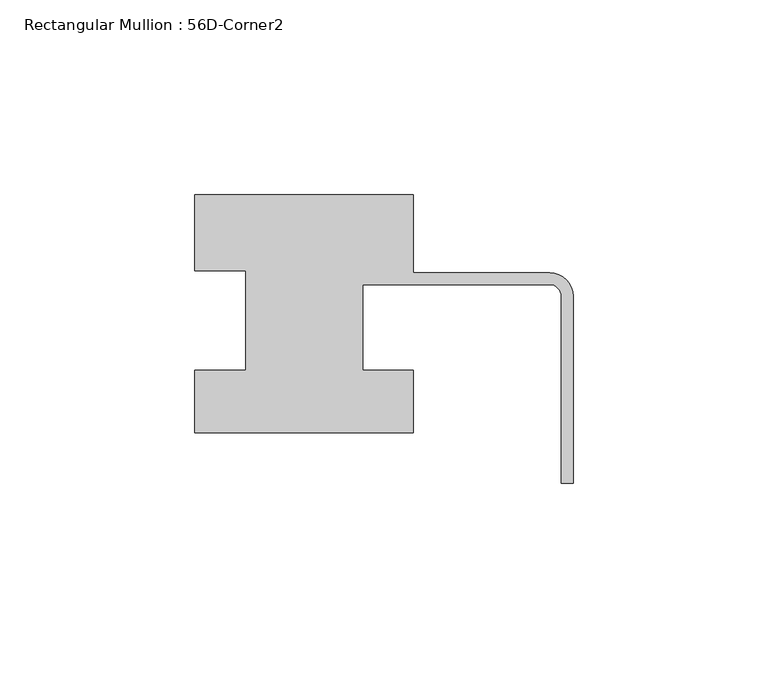
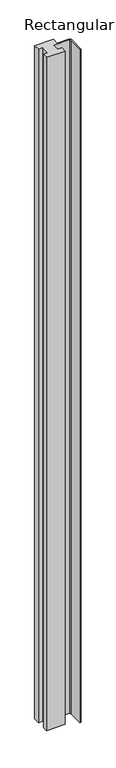
"""IFC4 building model written with IfcOpenShell, lengths in millimetres: member geometry, Rectangular Mullion : 56D-Corner2."""

from ifc_helpers import new_model, si_unit, point, frame, frame_2d, origin, place, context, project, spatial, polyline, circle_curve, trimmed, segment, composite_curve, outline, extrude, source, transform, mapped, element, save


def rectangular_mullion_56d_corner2_1c670922(model_context):
    return source(origin(), model_context, "Body", "SweptSolid", [
        extrude(outline(composite_curve([segment(polyline([(-97.0, 20.0), (-41.0, 20.0), (-41.0, 0.0), (-6.0, 0.0)]), True, "CONTINUOUS"), segment(trimmed(circle_curve(frame_2d((-6.0, -6.0)), 6.0), [point((-6.0, 0.0))], [point((0.0, -6.0))], False, "CARTESIAN"), True, "CONTINUOUS"), segment(polyline([(0.0, -6.0), (0.0, -54.0), (-3.0, -54.0), (-3.0, -6.0)]), True, "CONTINUOUS"), segment(trimmed(circle_curve(frame_2d((-6.0, -6.0)), 3.0), [point((-3.0, -6.0))], [point((-6.0, -3.0))], True, "CARTESIAN"), True, "CONTINUOUS"), segment(polyline([(-6.0, -3.0), (-54.0, -3.0), (-54.0, -25.0), (-41.0, -25.0), (-41.0, -41.0), (-97.0, -41.0), (-97.0, -25.0), (-84.0, -25.0), (-84.0, 0.5), (-97.0, 0.5), (-97.0, 20.0)]), True, "CONTINUOUS")], self_intersect=False)), frame((0.0, 0.0, -2144.0), z_axis=(0.0, 0.0, 1.0), x_axis=(1.0, 0.0, 0.0)), (0.0, 0.0, 1.0), 2144.0),
    ])


if __name__ == "__main__":
    model = new_model("IFC4")
    model_context = context("Model", 3, world=origin())
    ifc_project = project(units=[si_unit("LENGTHUNIT", "METRE", prefix="MILLI")], contexts=[model_context])
    site = spatial("IfcSite", under=ifc_project)
    building = spatial("IfcBuilding", under=site)
    placement = place(None, origin())
    rectangular_mullion_56d_corner2_shape = rectangular_mullion_56d_corner2_1c670922(model_context)
    element("IfcMember", 1, ObjectType="Rectangular Mullion : 56D-Corner2", at=placement, inside=building, context=model_context, shape_type="MappedRepresentation", body=[
        mapped(rectangular_mullion_56d_corner2_shape, transform((0.0, 0.0, 0.0), x_axis=(1.0, 0.0, 0.0), y_axis=(0.0, 1.0, 0.0), z_axis=(0.0, 0.0, 1.0))),
    ])
    save(model, "model.ifc")
